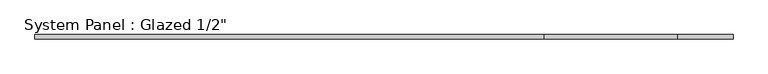
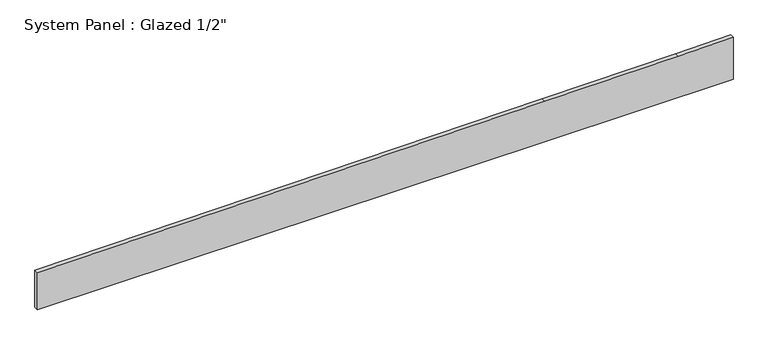
"""IFC4 building model written with IfcOpenShell, lengths in millimetres: plate geometry."""

from ifc_helpers import new_model, si_unit, frame, origin, place, context, project, spatial, polyline, outline, extrude, source, transform, mapped, element, save


def plate_aa0e2153(model_context):
    return source(origin(), model_context, "Body", "SweptSolid", [
        extrude(outline(polyline([(0.0, -1042.5473053), (0.0, 477.3973053), (0.0, 1042.5473053), (132.6434289, 1042.5473053), (130.6813002, 877.7779349), (127.9136683, 477.836721), (117.3924637, -1042.5473053), (0.0, -1042.5473053)])), frame((0.0, -6.35, 0.0), z_axis=(0.0, 1.0, 0.0), x_axis=(0.0, 0.0, 1.0)), (0.0, 0.0, 1.0), 12.7),
    ])


if __name__ == "__main__":
    model = new_model("IFC4")
    model_context = context("Model", 3, world=origin())
    ifc_project = project(units=[si_unit("LENGTHUNIT", "METRE", prefix="MILLI")], contexts=[model_context])
    site = spatial("IfcSite", under=ifc_project)
    building = spatial("IfcBuilding", under=site)
    placement = place(None, origin())
    plate_shape = plate_aa0e2153(model_context)
    element("IfcPlate", 1, ObjectType="System Panel : Glazed 1/2\"", at=placement, inside=building, context=model_context, shape_type="MappedRepresentation", body=[
        mapped(plate_shape, transform((0.0, 0.0, 0.0), x_axis=(1.0, 0.0, 0.0), y_axis=(0.0, 1.0, 0.0), z_axis=(0.0, 0.0, 1.0))),
    ])
    save(model, "model.ifc")
